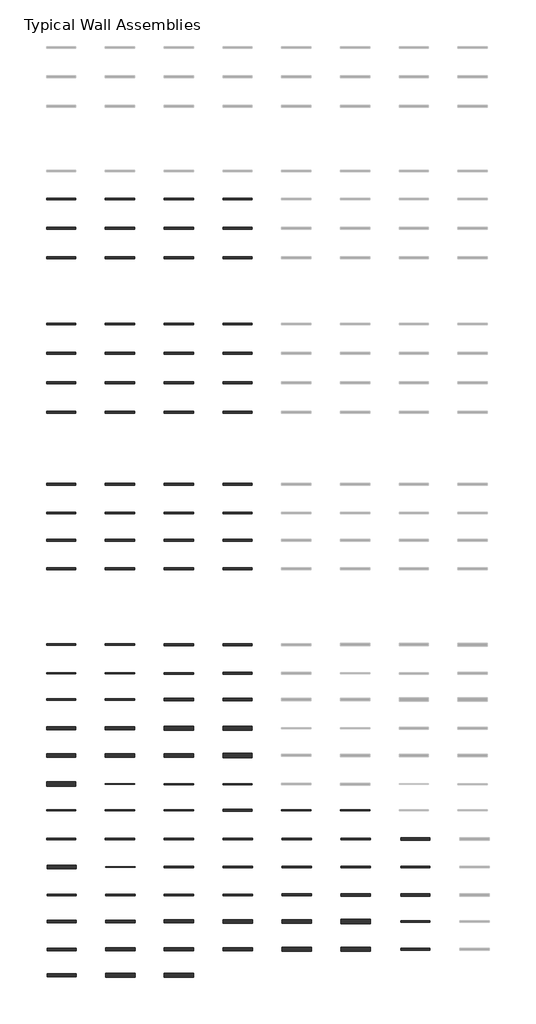
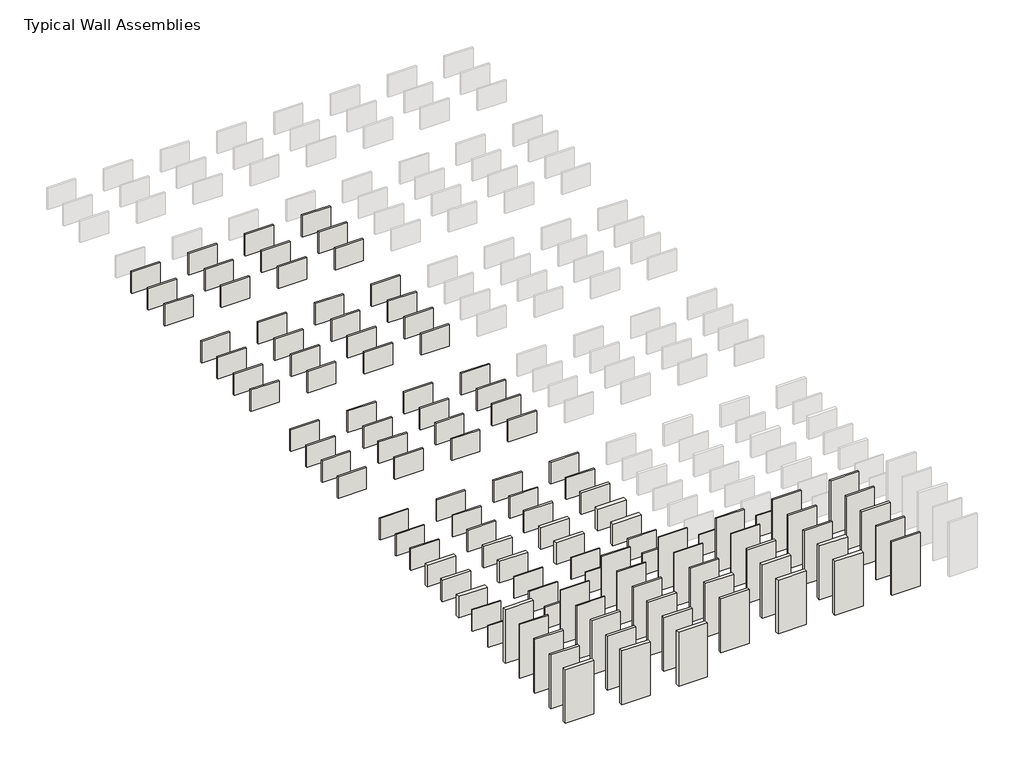
# One storey, part 1 of 3: 112 walls.
"""IFC4 building model written with IfcOpenShell, lengths in millimetres."""

from ifc_helpers import new_model, si_unit, frame, origin, place, context, project, spatial, polyline, outline, extrude, element, save

model = new_model("IFC4")

# Units and contexts
model_context = context("Model", 3, world=origin())
ifc_project = project(units=[si_unit("LENGTHUNIT", "METRE", prefix="MILLI")], contexts=[model_context])

# Site, building, storey
site = spatial("IfcSite", under=ifc_project)
building = spatial("IfcBuilding", under=site)
storey = spatial("IfcBuildingStorey", under=building, Name="Typical Wall Assemblies", Elevation=6096.0)

# Walls
placement = place(None, origin())
element("IfcWall", 1, at=placement, inside=storey, context=model_context, shape_type="SweptSolid", body=[
    extrude(outline(polyline([(-21027.125069, -1623.896752), (-24075.125069, -1623.896752), (-24075.125069, -1441.3342531), (-21027.125069, -1441.3342531), (-21027.125069, -1623.896752)])), frame((0.0, 0.0, 6096.0), z_axis=(0.0, 0.0, 1.0), x_axis=(1.0, 0.0, 0.0)), (0.0, 0.0, 1.0), 2438.4),
])
element("IfcWall", 2, at=placement, inside=storey, context=model_context, shape_type="SweptSolid", body=[
    extrude(outline(polyline([(-21027.125069, -4671.896752), (-24075.125069, -4671.896752), (-24075.125069, -4489.3342531), (-21027.125069, -4489.3342531), (-21027.125069, -4671.896752)])), frame((0.0, 0.0, 6096.0), z_axis=(0.0, 0.0, 1.0), x_axis=(1.0, 0.0, 0.0)), (0.0, 0.0, 1.0), 2438.4),
])
element("IfcWall", 3, at=placement, inside=storey, context=model_context, shape_type="SweptSolid", body=[
    extrude(outline(polyline([(-14931.125069, -1623.896752), (-17979.125069, -1623.896752), (-17979.125069, -1441.3342531), (-14931.125069, -1441.3342531), (-14931.125069, -1623.896752)])), frame((0.0, 0.0, 6096.0), z_axis=(0.0, 0.0, 1.0), x_axis=(1.0, 0.0, 0.0)), (0.0, 0.0, 1.0), 2438.4),
])
element("IfcWall", 4, at=placement, inside=storey, context=model_context, shape_type="SweptSolid", body=[
    extrude(outline(polyline([(-8835.125069, -1623.896752), (-11883.125069, -1623.896752), (-11883.125069, -1441.3342531), (-8835.125069, -1441.3342531), (-8835.125069, -1623.896752)])), frame((0.0, 0.0, 6096.0), z_axis=(0.0, 0.0, 1.0), x_axis=(1.0, 0.0, 0.0)), (0.0, 0.0, 1.0), 2438.4),
])
element("IfcWall", 5, at=placement, inside=storey, context=model_context, shape_type="SweptSolid", body=[
    extrude(outline(polyline([(-2739.125069, -1623.896752), (-5787.125069, -1623.896752), (-5787.125069, -1441.3342531), (-2739.125069, -1441.3342531), (-2739.125069, -1623.896752)])), frame((0.0, 0.0, 6096.0), z_axis=(0.0, 0.0, 1.0), x_axis=(1.0, 0.0, 0.0)), (0.0, 0.0, 1.0), 2438.4),
])
element("IfcWall", 6, at=placement, inside=storey, context=model_context, shape_type="SweptSolid", body=[
    extrude(outline(polyline([(-14931.125069, -4671.896752), (-17979.125069, -4671.896752), (-17979.125069, -4489.3342531), (-14931.125069, -4489.3342531), (-14931.125069, -4671.896752)])), frame((0.0, 0.0, 6096.0), z_axis=(0.0, 0.0, 1.0), x_axis=(1.0, 0.0, 0.0)), (0.0, 0.0, 1.0), 2438.4),
])
element("IfcWall", 7, at=placement, inside=storey, context=model_context, shape_type="SweptSolid", body=[
    extrude(outline(polyline([(-8835.125069, -4671.896752), (-11883.125069, -4671.896752), (-11883.125069, -4489.3342531), (-8835.125069, -4489.3342531), (-8835.125069, -4671.896752)])), frame((0.0, 0.0, 6096.0), z_axis=(0.0, 0.0, 1.0), x_axis=(1.0, 0.0, 0.0)), (0.0, 0.0, 1.0), 2438.4),
])
element("IfcWall", 8, at=placement, inside=storey, context=model_context, shape_type="SweptSolid", body=[
    extrude(outline(polyline([(-2739.125069, -4671.896752), (-5787.125069, -4671.896752), (-5787.125069, -4489.3342531), (-2739.125069, -4489.3342531), (-2739.125069, -4671.896752)])), frame((0.0, 0.0, 6096.0), z_axis=(0.0, 0.0, 1.0), x_axis=(1.0, 0.0, 0.0)), (0.0, 0.0, 1.0), 2438.4),
])
element("IfcWall", 9, at=placement, inside=storey, context=model_context, shape_type="SweptSolid", body=[
    extrude(outline(polyline([(-21027.125069, -7719.896752), (-24075.125069, -7719.896752), (-24075.125069, -7537.3342531), (-21027.125069, -7537.3342531), (-21027.125069, -7719.896752)])), frame((0.0, 0.0, 6096.0), z_axis=(0.0, 0.0, 1.0), x_axis=(1.0, 0.0, 0.0)), (0.0, 0.0, 1.0), 2438.4),
])
element("IfcWall", 10, at=placement, inside=storey, context=model_context, shape_type="SweptSolid", body=[
    extrude(outline(polyline([(-21027.125069, -14579.484252), (-24075.125069, -14579.484252), (-24075.125069, -14393.746753), (-21027.125069, -14393.746753), (-21027.125069, -14579.484252)])), frame((0.0, 0.0, 6096.0), z_axis=(0.0, 0.0, 1.0), x_axis=(1.0, 0.0, 0.0)), (0.0, 0.0, 1.0), 2438.4),
])
element("IfcWall", 11, at=placement, inside=storey, context=model_context, shape_type="SweptSolid", body=[
    extrude(outline(polyline([(-14931.125069, -7719.896752), (-17979.125069, -7719.896752), (-17979.125069, -7537.3342531), (-14931.125069, -7537.3342531), (-14931.125069, -7719.896752)])), frame((0.0, 0.0, 6096.0), z_axis=(0.0, 0.0, 1.0), x_axis=(1.0, 0.0, 0.0)), (0.0, 0.0, 1.0), 2438.4),
])
element("IfcWall", 12, at=placement, inside=storey, context=model_context, shape_type="SweptSolid", body=[
    extrude(outline(polyline([(-8835.125069, -7719.896752), (-11883.125069, -7719.896752), (-11883.125069, -7537.3342531), (-8835.125069, -7537.3342531), (-8835.125069, -7719.896752)])), frame((0.0, 0.0, 6096.0), z_axis=(0.0, 0.0, 1.0), x_axis=(1.0, 0.0, 0.0)), (0.0, 0.0, 1.0), 2438.4),
])
element("IfcWall", 13, at=placement, inside=storey, context=model_context, shape_type="SweptSolid", body=[
    extrude(outline(polyline([(-2739.125069, -7719.896752), (-5787.125069, -7719.896752), (-5787.125069, -7537.3342531), (-2739.125069, -7537.3342531), (-2739.125069, -7719.896752)])), frame((0.0, 0.0, 6096.0), z_axis=(0.0, 0.0, 1.0), x_axis=(1.0, 0.0, 0.0)), (0.0, 0.0, 1.0), 2438.4),
])
element("IfcWall", 14, at=placement, inside=storey, context=model_context, shape_type="SweptSolid", body=[
    extrude(outline(polyline([(-14931.125069, -14579.484252), (-17979.125069, -14579.484252), (-17979.125069, -14393.746753), (-14931.125069, -14393.746753), (-14931.125069, -14579.484252)])), frame((0.0, 0.0, 6096.0), z_axis=(0.0, 0.0, 1.0), x_axis=(1.0, 0.0, 0.0)), (0.0, 0.0, 1.0), 2438.4),
])
element("IfcWall", 15, at=placement, inside=storey, context=model_context, shape_type="SweptSolid", body=[
    extrude(outline(polyline([(-8835.125069, -14579.484252), (-11883.125069, -14579.484252), (-11883.125069, -14393.746753), (-8835.125069, -14393.746753), (-8835.125069, -14579.484252)])), frame((0.0, 0.0, 6096.0), z_axis=(0.0, 0.0, 1.0), x_axis=(1.0, 0.0, 0.0)), (0.0, 0.0, 1.0), 2438.4),
])
element("IfcWall", 16, at=placement, inside=storey, context=model_context, shape_type="SweptSolid", body=[
    extrude(outline(polyline([(-2739.125069, -14579.484252), (-5787.125069, -14579.484252), (-5787.125069, -14393.746753), (-2739.125069, -14393.746753), (-2739.125069, -14579.484252)])), frame((0.0, 0.0, 6096.0), z_axis=(0.0, 0.0, 1.0), x_axis=(1.0, 0.0, 0.0)), (0.0, 0.0, 1.0), 2438.4),
])
element("IfcWall", 17, at=placement, inside=storey, context=model_context, shape_type="SweptSolid", body=[
    extrude(outline(polyline([(-21027.125069, -17627.484252), (-24075.125069, -17627.484252), (-24075.125069, -17441.746753), (-21027.125069, -17441.746753), (-21027.125069, -17627.484252)])), frame((0.0, 0.0, 6096.0), z_axis=(0.0, 0.0, 1.0), x_axis=(1.0, 0.0, 0.0)), (0.0, 0.0, 1.0), 2438.4),
])
element("IfcWall", 18, at=placement, inside=storey, context=model_context, shape_type="SweptSolid", body=[
    extrude(outline(polyline([(-21027.125069, -20675.484252), (-24075.125069, -20675.484252), (-24075.125069, -20489.746753), (-21027.125069, -20489.746753), (-21027.125069, -20675.484252)])), frame((0.0, 0.0, 6096.0), z_axis=(0.0, 0.0, 1.0), x_axis=(1.0, 0.0, 0.0)), (0.0, 0.0, 1.0), 2438.4),
])
element("IfcWall", 19, at=placement, inside=storey, context=model_context, shape_type="SweptSolid", body=[
    extrude(outline(polyline([(-14931.125069, -17627.484252), (-17979.125069, -17627.484252), (-17979.125069, -17441.746753), (-14931.125069, -17441.746753), (-14931.125069, -17627.484252)])), frame((0.0, 0.0, 6096.0), z_axis=(0.0, 0.0, 1.0), x_axis=(1.0, 0.0, 0.0)), (0.0, 0.0, 1.0), 2438.4),
])
element("IfcWall", 20, at=placement, inside=storey, context=model_context, shape_type="SweptSolid", body=[
    extrude(outline(polyline([(-8835.125069, -17627.484252), (-11883.125069, -17627.484252), (-11883.125069, -17441.746753), (-8835.125069, -17441.746753), (-8835.125069, -17627.484252)])), frame((0.0, 0.0, 6096.0), z_axis=(0.0, 0.0, 1.0), x_axis=(1.0, 0.0, 0.0)), (0.0, 0.0, 1.0), 2438.4),
])
element("IfcWall", 21, at=placement, inside=storey, context=model_context, shape_type="SweptSolid", body=[
    extrude(outline(polyline([(-2739.125069, -17627.484252), (-5787.125069, -17627.484252), (-5787.125069, -17441.746753), (-2739.125069, -17441.746753), (-2739.125069, -17627.484252)])), frame((0.0, 0.0, 6096.0), z_axis=(0.0, 0.0, 1.0), x_axis=(1.0, 0.0, 0.0)), (0.0, 0.0, 1.0), 2438.4),
])
element("IfcWall", 22, at=placement, inside=storey, context=model_context, shape_type="SweptSolid", body=[
    extrude(outline(polyline([(-14931.125069, -20675.484252), (-17979.125069, -20675.484252), (-17979.125069, -20489.746753), (-14931.125069, -20489.746753), (-14931.125069, -20675.484252)])), frame((0.0, 0.0, 6096.0), z_axis=(0.0, 0.0, 1.0), x_axis=(1.0, 0.0, 0.0)), (0.0, 0.0, 1.0), 2438.4),
])
element("IfcWall", 23, at=placement, inside=storey, context=model_context, shape_type="SweptSolid", body=[
    extrude(outline(polyline([(-8835.125069, -20675.484252), (-11883.125069, -20675.484252), (-11883.125069, -20489.746753), (-8835.125069, -20489.746753), (-8835.125069, -20675.484252)])), frame((0.0, 0.0, 6096.0), z_axis=(0.0, 0.0, 1.0), x_axis=(1.0, 0.0, 0.0)), (0.0, 0.0, 1.0), 2438.4),
])
element("IfcWall", 24, at=placement, inside=storey, context=model_context, shape_type="SweptSolid", body=[
    extrude(outline(polyline([(-2739.125069, -20675.484252), (-5787.125069, -20675.484252), (-5787.125069, -20489.746753), (-2739.125069, -20489.746753), (-2739.125069, -20675.484252)])), frame((0.0, 0.0, 6096.0), z_axis=(0.0, 0.0, 1.0), x_axis=(1.0, 0.0, 0.0)), (0.0, 0.0, 1.0), 2438.4),
])
element("IfcWall", 25, at=placement, inside=storey, context=model_context, shape_type="SweptSolid", body=[
    extrude(outline(polyline([(-21027.125069, -23723.484252), (-24075.125069, -23723.484252), (-24075.125069, -23537.746753), (-21027.125069, -23537.746753), (-21027.125069, -23723.484252)])), frame((0.0, 0.0, 6096.0), z_axis=(0.0, 0.0, 1.0), x_axis=(1.0, 0.0, 0.0)), (0.0, 0.0, 1.0), 2438.4),
])
element("IfcWall", 26, at=placement, inside=storey, context=model_context, shape_type="SweptSolid", body=[
    extrude(outline(polyline([(-21027.125069, -31190.290502), (-24075.125069, -31190.290502), (-24075.125069, -31006.140503), (-21027.125069, -31006.140503), (-21027.125069, -31190.290502)])), frame((0.0, 0.0, 6096.0), z_axis=(0.0, 0.0, 1.0), x_axis=(1.0, 0.0, 0.0)), (0.0, 0.0, 1.0), 2438.4),
])
element("IfcWall", 27, at=placement, inside=storey, context=model_context, shape_type="SweptSolid", body=[
    extrude(outline(polyline([(-14931.125069, -23723.484252), (-17979.125069, -23723.484252), (-17979.125069, -23537.746753), (-14931.125069, -23537.746753), (-14931.125069, -23723.484252)])), frame((0.0, 0.0, 6096.0), z_axis=(0.0, 0.0, 1.0), x_axis=(1.0, 0.0, 0.0)), (0.0, 0.0, 1.0), 2438.4),
])
element("IfcWall", 28, at=placement, inside=storey, context=model_context, shape_type="SweptSolid", body=[
    extrude(outline(polyline([(-8835.125069, -23723.484252), (-11883.125069, -23723.484252), (-11883.125069, -23537.746753), (-8835.125069, -23537.746753), (-8835.125069, -23723.484252)])), frame((0.0, 0.0, 6096.0), z_axis=(0.0, 0.0, 1.0), x_axis=(1.0, 0.0, 0.0)), (0.0, 0.0, 1.0), 2438.4),
])
element("IfcWall", 29, at=placement, inside=storey, context=model_context, shape_type="SweptSolid", body=[
    extrude(outline(polyline([(-2739.125069, -23723.484252), (-5787.125069, -23723.484252), (-5787.125069, -23537.746753), (-2739.125069, -23537.746753), (-2739.125069, -23723.484252)])), frame((0.0, 0.0, 6096.0), z_axis=(0.0, 0.0, 1.0), x_axis=(1.0, 0.0, 0.0)), (0.0, 0.0, 1.0), 2438.4),
])
element("IfcWall", 30, at=placement, inside=storey, context=model_context, shape_type="SweptSolid", body=[
    extrude(outline(polyline([(-14931.125069, -31190.290502), (-17979.125069, -31190.290502), (-17979.125069, -31006.140503), (-14931.125069, -31006.140503), (-14931.125069, -31190.290502)])), frame((0.0, 0.0, 6096.0), z_axis=(0.0, 0.0, 1.0), x_axis=(1.0, 0.0, 0.0)), (0.0, 0.0, 1.0), 2438.4),
])
element("IfcWall", 31, at=placement, inside=storey, context=model_context, shape_type="SweptSolid", body=[
    extrude(outline(polyline([(-8835.125069, -31190.290502), (-11883.125069, -31190.290502), (-11883.125069, -31006.140503), (-8835.125069, -31006.140503), (-8835.125069, -31190.290502)])), frame((0.0, 0.0, 6096.0), z_axis=(0.0, 0.0, 1.0), x_axis=(1.0, 0.0, 0.0)), (0.0, 0.0, 1.0), 2438.4),
])
element("IfcWall", 32, at=placement, inside=storey, context=model_context, shape_type="SweptSolid", body=[
    extrude(outline(polyline([(-2739.125069, -31190.290502), (-5787.125069, -31190.290502), (-5787.125069, -31006.140503), (-2739.125069, -31006.140503), (-2739.125069, -31190.290502)])), frame((0.0, 0.0, 6096.0), z_axis=(0.0, 0.0, 1.0), x_axis=(1.0, 0.0, 0.0)), (0.0, 0.0, 1.0), 2438.4),
])
element("IfcWall", 33, at=placement, inside=storey, context=model_context, shape_type="SweptSolid", body=[
    extrude(outline(polyline([(-21027.125069, -34162.090502), (-24075.125069, -34162.090502), (-24075.125069, -33977.940503), (-21027.125069, -33977.940503), (-21027.125069, -34162.090502)])), frame((0.0, 0.0, 6096.0), z_axis=(0.0, 0.0, 1.0), x_axis=(1.0, 0.0, 0.0)), (0.0, 0.0, 1.0), 2438.4),
])
element("IfcWall", 34, at=placement, inside=storey, context=model_context, shape_type="SweptSolid", body=[
    extrude(outline(polyline([(-14931.125069, -34162.090502), (-17979.125069, -34162.090502), (-17979.125069, -33977.940503), (-14931.125069, -33977.940503), (-14931.125069, -34162.090502)])), frame((0.0, 0.0, 6096.0), z_axis=(0.0, 0.0, 1.0), x_axis=(1.0, 0.0, 0.0)), (0.0, 0.0, 1.0), 2438.4),
])
element("IfcWall", 35, at=placement, inside=storey, context=model_context, shape_type="SweptSolid", body=[
    extrude(outline(polyline([(-8835.125069, -34162.090502), (-11883.125069, -34162.090502), (-11883.125069, -33977.940503), (-8835.125069, -33977.940503), (-8835.125069, -34162.090502)])), frame((0.0, 0.0, 6096.0), z_axis=(0.0, 0.0, 1.0), x_axis=(1.0, 0.0, 0.0)), (0.0, 0.0, 1.0), 2438.4),
])
element("IfcWall", 36, at=placement, inside=storey, context=model_context, shape_type="SweptSolid", body=[
    extrude(outline(polyline([(-2739.125069, -34162.090502), (-5787.125069, -34162.090502), (-5787.125069, -33977.940503), (-2739.125069, -33977.940503), (-2739.125069, -34162.090502)])), frame((0.0, 0.0, 6096.0), z_axis=(0.0, 0.0, 1.0), x_axis=(1.0, 0.0, 0.0)), (0.0, 0.0, 1.0), 2438.4),
])
element("IfcWall", 37, at=placement, inside=storey, context=model_context, shape_type="SweptSolid", body=[
    extrude(outline(polyline([(-21027.125069, -36981.490502), (-24075.125069, -36981.490502), (-24075.125069, -36797.340503), (-21027.125069, -36797.340503), (-21027.125069, -36981.490502)])), frame((0.0, 0.0, 6096.0), z_axis=(0.0, 0.0, 1.0), x_axis=(1.0, 0.0, 0.0)), (0.0, 0.0, 1.0), 2438.4),
])
element("IfcWall", 38, at=placement, inside=storey, context=model_context, shape_type="SweptSolid", body=[
    extrude(outline(polyline([(-14931.125069, -36981.490502), (-17979.125069, -36981.490502), (-17979.125069, -36797.340503), (-14931.125069, -36797.340503), (-14931.125069, -36981.490502)])), frame((0.0, 0.0, 6096.0), z_axis=(0.0, 0.0, 1.0), x_axis=(1.0, 0.0, 0.0)), (0.0, 0.0, 1.0), 2438.4),
])
element("IfcWall", 39, at=placement, inside=storey, context=model_context, shape_type="SweptSolid", body=[
    extrude(outline(polyline([(-8835.125069, -36981.490502), (-11883.125069, -36981.490502), (-11883.125069, -36797.340503), (-8835.125069, -36797.340503), (-8835.125069, -36981.490502)])), frame((0.0, 0.0, 6096.0), z_axis=(0.0, 0.0, 1.0), x_axis=(1.0, 0.0, 0.0)), (0.0, 0.0, 1.0), 2438.4),
])
element("IfcWall", 40, at=placement, inside=storey, context=model_context, shape_type="SweptSolid", body=[
    extrude(outline(polyline([(-2739.125069, -36981.490502), (-5787.125069, -36981.490502), (-5787.125069, -36797.340503), (-2739.125069, -36797.340503), (-2739.125069, -36981.490502)])), frame((0.0, 0.0, 6096.0), z_axis=(0.0, 0.0, 1.0), x_axis=(1.0, 0.0, 0.0)), (0.0, 0.0, 1.0), 2438.4),
])
element("IfcWall", 41, at=placement, inside=storey, context=model_context, shape_type="SweptSolid", body=[
    extrude(outline(polyline([(-21027.125069, -39953.290502), (-24075.125069, -39953.290502), (-24075.125069, -39769.140503), (-21027.125069, -39769.140503), (-21027.125069, -39953.290502)])), frame((0.0, 0.0, 6096.0), z_axis=(0.0, 0.0, 1.0), x_axis=(1.0, 0.0, 0.0)), (0.0, 0.0, 1.0), 2438.4),
])
element("IfcWall", 42, at=placement, inside=storey, context=model_context, shape_type="SweptSolid", body=[
    extrude(outline(polyline([(-14931.125069, -39953.290502), (-17979.125069, -39953.290502), (-17979.125069, -39769.140503), (-14931.125069, -39769.140503), (-14931.125069, -39953.290502)])), frame((0.0, 0.0, 6096.0), z_axis=(0.0, 0.0, 1.0), x_axis=(1.0, 0.0, 0.0)), (0.0, 0.0, 1.0), 2438.4),
])
element("IfcWall", 43, at=placement, inside=storey, context=model_context, shape_type="SweptSolid", body=[
    extrude(outline(polyline([(-8835.125069, -39953.290502), (-11883.125069, -39953.290502), (-11883.125069, -39769.140503), (-8835.125069, -39769.140503), (-8835.125069, -39953.290502)])), frame((0.0, 0.0, 6096.0), z_axis=(0.0, 0.0, 1.0), x_axis=(1.0, 0.0, 0.0)), (0.0, 0.0, 1.0), 2438.4),
])
element("IfcWall", 44, at=placement, inside=storey, context=model_context, shape_type="SweptSolid", body=[
    extrude(outline(polyline([(-2739.125069, -39953.290502), (-5787.125069, -39953.290502), (-5787.125069, -39769.140503), (-2739.125069, -39769.140503), (-2739.125069, -39953.290502)])), frame((0.0, 0.0, 6096.0), z_axis=(0.0, 0.0, 1.0), x_axis=(1.0, 0.0, 0.0)), (0.0, 0.0, 1.0), 2438.4),
])
element("IfcWall", 45, at=placement, inside=storey, context=model_context, shape_type="SweptSolid", body=[
    extrude(outline(polyline([(-21027.125069, -47777.3160039), (-24075.125069, -47777.3160039), (-24075.125069, -47642.3150012), (-21027.125069, -47642.3150012), (-21027.125069, -47777.3160039)])), frame((0.0, 0.0, 6096.0), z_axis=(0.0, 0.0, 1.0), x_axis=(1.0, 0.0, 0.0)), (0.0, 0.0, 1.0), 2438.4),
])
element("IfcWall", 46, at=placement, inside=storey, context=model_context, shape_type="SweptSolid", body=[
    extrude(outline(polyline([(-14931.125069, -47782.0785039), (-17979.125069, -47782.0785039), (-17979.125069, -47637.5525012), (-14931.125069, -47637.5525012), (-14931.125069, -47782.0785039)])), frame((0.0, 0.0, 6096.0), z_axis=(0.0, 0.0, 1.0), x_axis=(1.0, 0.0, 0.0)), (0.0, 0.0, 1.0), 2438.4),
])
element("IfcWall", 47, at=placement, inside=storey, context=model_context, shape_type="SweptSolid", body=[
    extrude(outline(polyline([(-8835.125069, -47801.1285039), (-11883.125069, -47801.1285039), (-11883.125069, -47618.5025012), (-8835.125069, -47618.5025012), (-8835.125069, -47801.1285039)])), frame((0.0, 0.0, 6096.0), z_axis=(0.0, 0.0, 1.0), x_axis=(1.0, 0.0, 0.0)), (0.0, 0.0, 1.0), 2438.4),
])
element("IfcWall", 48, at=placement, inside=storey, context=model_context, shape_type="SweptSolid", body=[
    extrude(outline(polyline([(-2739.125069, -47807.4785024), (-5787.125069, -47807.4785024), (-5787.125069, -47612.1525027), (-2739.125069, -47612.1525027), (-2739.125069, -47807.4785024)])), frame((0.0, 0.0, 6096.0), z_axis=(0.0, 0.0, 1.0), x_axis=(1.0, 0.0, 0.0)), (0.0, 0.0, 1.0), 2438.4),
])
element("IfcWall", 49, at=placement, inside=storey, context=model_context, shape_type="SweptSolid", body=[
    extrude(outline(polyline([(-21027.125069, -50747.5285008), (-24075.125069, -50747.5285008), (-24075.125069, -50615.7025042), (-21027.125069, -50615.7025042), (-21027.125069, -50747.5285008)])), frame((0.0, 0.0, 6096.0), z_axis=(0.0, 0.0, 1.0), x_axis=(1.0, 0.0, 0.0)), (0.0, 0.0, 1.0), 2438.4),
])
element("IfcWall", 50, at=placement, inside=storey, context=model_context, shape_type="SweptSolid", body=[
    extrude(outline(polyline([(-14931.125069, -50749.1160039), (-17979.125069, -50749.1160039), (-17979.125069, -50614.1150012), (-14931.125069, -50614.1150012), (-14931.125069, -50749.1160039)])), frame((0.0, 0.0, 6096.0), z_axis=(0.0, 0.0, 1.0), x_axis=(1.0, 0.0, 0.0)), (0.0, 0.0, 1.0), 2438.4),
])
element("IfcWall", 51, at=placement, inside=storey, context=model_context, shape_type="SweptSolid", body=[
    extrude(outline(polyline([(-8835.125069, -50753.8785039), (-11883.125069, -50753.8785039), (-11883.125069, -50609.3525012), (-8835.125069, -50609.3525012), (-8835.125069, -50753.8785039)])), frame((0.0, 0.0, 6096.0), z_axis=(0.0, 0.0, 1.0), x_axis=(1.0, 0.0, 0.0)), (0.0, 0.0, 1.0), 2438.4),
])
element("IfcWall", 52, at=placement, inside=storey, context=model_context, shape_type="SweptSolid", body=[
    extrude(outline(polyline([(-2739.125069, -50772.9285039), (-5787.125069, -50772.9285039), (-5787.125069, -50590.3025012), (-2739.125069, -50590.3025012), (-2739.125069, -50772.9285039)])), frame((0.0, 0.0, 6096.0), z_axis=(0.0, 0.0, 1.0), x_axis=(1.0, 0.0, 0.0)), (0.0, 0.0, 1.0), 2438.4),
])
element("IfcWall", 53, at=placement, inside=storey, context=model_context, shape_type="SweptSolid", body=[
    extrude(outline(polyline([(-21027.125069, -53490.7285039), (-24075.125069, -53490.7285039), (-24075.125069, -53308.1025012), (-21027.125069, -53308.1025012), (-21027.125069, -53490.7285039)])), frame((0.0, 0.0, 6096.0), z_axis=(0.0, 0.0, 1.0), x_axis=(1.0, 0.0, 0.0)), (0.0, 0.0, 1.0), 2438.4),
])
element("IfcWall", 54, at=placement, inside=storey, context=model_context, shape_type="SweptSolid", body=[
    extrude(outline(polyline([(-14931.125069, -53497.0785024), (-17979.125069, -53497.0785024), (-17979.125069, -53301.7525027), (-14931.125069, -53301.7525027), (-14931.125069, -53497.0785024)])), frame((0.0, 0.0, 6096.0), z_axis=(0.0, 0.0, 1.0), x_axis=(1.0, 0.0, 0.0)), (0.0, 0.0, 1.0), 2438.4),
])
element("IfcWall", 55, at=placement, inside=storey, context=model_context, shape_type="SweptSolid", body=[
    extrude(outline(polyline([(-8835.125069, -53512.9535054), (-11883.125069, -53512.9535054), (-11883.125069, -53285.8774997), (-8835.125069, -53285.8774997), (-8835.125069, -53512.9535054)])), frame((0.0, 0.0, 6096.0), z_axis=(0.0, 0.0, 1.0), x_axis=(1.0, 0.0, 0.0)), (0.0, 0.0, 1.0), 2438.4),
])
element("IfcWall", 56, at=placement, inside=storey, context=model_context, shape_type="SweptSolid", body=[
    extrude(outline(polyline([(-2739.125069, -53522.4785054), (-5787.125069, -53522.4785054), (-5787.125069, -53276.3524997), (-2739.125069, -53276.3524997), (-2739.125069, -53522.4785054)])), frame((0.0, 0.0, 6096.0), z_axis=(0.0, 0.0, 1.0), x_axis=(1.0, 0.0, 0.0)), (0.0, 0.0, 1.0), 2438.4),
])
element("IfcWall", 57, at=placement, inside=storey, context=model_context, shape_type="SweptSolid", body=[
    extrude(outline(polyline([(-21027.125069, -56538.7284993), (-24075.125069, -56538.7284993), (-24075.125069, -56203.7025057), (-21027.125069, -56203.7025057), (-21027.125069, -56538.7284993)])), frame((0.0, 0.0, 6096.0), z_axis=(0.0, 0.0, 1.0), x_axis=(1.0, 0.0, 0.0)), (0.0, 0.0, 1.0), 2438.4),
])
element("IfcWall", 58, at=placement, inside=storey, context=model_context, shape_type="SweptSolid", body=[
    extrude(outline(polyline([(-14931.125069, -56545.0785024), (-17979.125069, -56545.0785024), (-17979.125069, -56197.3525027), (-14931.125069, -56197.3525027), (-14931.125069, -56545.0785024)])), frame((0.0, 0.0, 6096.0), z_axis=(0.0, 0.0, 1.0), x_axis=(1.0, 0.0, 0.0)), (0.0, 0.0, 1.0), 2438.4),
])
element("IfcWall", 59, at=placement, inside=storey, context=model_context, shape_type="SweptSolid", body=[
    extrude(outline(polyline([(-8835.125069, -56570.4784963), (-11883.125069, -56570.4784963), (-11883.125069, -56171.9525088), (-8835.125069, -56171.9525088), (-8835.125069, -56570.4784963)])), frame((0.0, 0.0, 6096.0), z_axis=(0.0, 0.0, 1.0), x_axis=(1.0, 0.0, 0.0)), (0.0, 0.0, 1.0), 2438.4),
])
element("IfcWall", 60, at=placement, inside=storey, context=model_context, shape_type="SweptSolid", body=[
    extrude(outline(polyline([(-2739.125069, -56595.8785084), (-5787.125069, -56595.8785084), (-5787.125069, -56146.5524966), (-2739.125069, -56146.5524966), (-2739.125069, -56595.8785084)])), frame((0.0, 0.0, 6096.0), z_axis=(0.0, 0.0, 1.0), x_axis=(1.0, 0.0, 0.0)), (0.0, 0.0, 1.0), 2438.4),
])
element("IfcWall", 61, at=placement, inside=storey, context=model_context, shape_type="SweptSolid", body=[
    extrude(outline(polyline([(-21027.125069, -59358.1284993), (-24075.125069, -59358.1284993), (-24075.125069, -59023.1025057), (-21027.125069, -59023.1025057), (-21027.125069, -59358.1284993)])), frame((0.0, 0.0, 6096.0), z_axis=(0.0, 0.0, 1.0), x_axis=(1.0, 0.0, 0.0)), (0.0, 0.0, 1.0), 2438.4),
])
element("IfcWall", 62, at=placement, inside=storey, context=model_context, shape_type="SweptSolid", body=[
    extrude(outline(polyline([(-14931.125069, -59364.4785024), (-17979.125069, -59364.4785024), (-17979.125069, -59016.7525027), (-14931.125069, -59016.7525027), (-14931.125069, -59364.4785024)])), frame((0.0, 0.0, 6096.0), z_axis=(0.0, 0.0, 1.0), x_axis=(1.0, 0.0, 0.0)), (0.0, 0.0, 1.0), 2438.4),
])
element("IfcWall", 63, at=placement, inside=storey, context=model_context, shape_type="SweptSolid", body=[
    extrude(outline(polyline([(-8835.125069, -59389.8784963), (-11883.125069, -59389.8784963), (-11883.125069, -58991.3525088), (-8835.125069, -58991.3525088), (-8835.125069, -59389.8784963)])), frame((0.0, 0.0, 6096.0), z_axis=(0.0, 0.0, 1.0), x_axis=(1.0, 0.0, 0.0)), (0.0, 0.0, 1.0), 2438.4),
])
element("IfcWall", 64, at=placement, inside=storey, context=model_context, shape_type="SweptSolid", body=[
    extrude(outline(polyline([(-2739.125069, -59415.2785084), (-5787.125069, -59415.2785084), (-5787.125069, -58965.9524966), (-2739.125069, -58965.9524966), (-2739.125069, -59415.2785084)])), frame((0.0, 0.0, 6096.0), z_axis=(0.0, 0.0, 1.0), x_axis=(1.0, 0.0, 0.0)), (0.0, 0.0, 1.0), 2438.4),
])
element("IfcWall", 65, at=placement, inside=storey, context=model_context, shape_type="SweptSolid", body=[
    extrude(outline(polyline([(-21027.125069, -62387.0785084), (-24075.125069, -62387.0785084), (-24075.125069, -61937.7524966), (-21027.125069, -61937.7524966), (-21027.125069, -62387.0785084)])), frame((0.0, 0.0, 6096.0), z_axis=(0.0, 0.0, 1.0), x_axis=(1.0, 0.0, 0.0)), (0.0, 0.0, 1.0), 2438.4),
])
element("IfcWall", 66, at=placement, inside=storey, context=model_context, shape_type="SweptSolid", body=[
    extrude(outline(polyline([(-14931.125069, -62198.9280029), (-17979.125069, -62198.9280029), (-17979.125069, -62125.9030021), (-14931.125069, -62125.9030021), (-14931.125069, -62198.9280029)])), frame((0.0, 0.0, 6096.0), z_axis=(0.0, 0.0, 1.0), x_axis=(1.0, 0.0, 0.0)), (0.0, 0.0, 1.0), 2438.4),
])
element("IfcWall", 67, at=placement, inside=storey, context=model_context, shape_type="SweptSolid", body=[
    extrude(outline(polyline([(-8835.125069, -62210.0405014), (-11883.125069, -62210.0405014), (-11883.125069, -62114.7905037), (-8835.125069, -62114.7905037), (-8835.125069, -62210.0405014)])), frame((0.0, 0.0, 6096.0), z_axis=(0.0, 0.0, 1.0), x_axis=(1.0, 0.0, 0.0)), (0.0, 0.0, 1.0), 2438.4),
])
element("IfcWall", 68, at=placement, inside=storey, context=model_context, shape_type="SweptSolid", body=[
    extrude(outline(polyline([(-2739.125069, -62224.3280037), (-5787.125069, -62224.3280037), (-5787.125069, -62100.5030014), (-2739.125069, -62100.5030014), (-2739.125069, -62224.3280037)])), frame((0.0, 0.0, 6096.0), z_axis=(0.0, 0.0, 1.0), x_axis=(1.0, 0.0, 0.0)), (0.0, 0.0, 1.0), 2438.4),
])
element("IfcWall", 69, at=placement, inside=storey, context=model_context, shape_type="SweptSolid", body=[
    extrude(outline(polyline([(-21027.125069, -64927.8405014), (-24075.125069, -64927.8405014), (-24075.125069, -64832.5905037), (-21027.125069, -64832.5905037), (-21027.125069, -64927.8405014)])), frame((0.0, 0.0, 6096.0), z_axis=(0.0, 0.0, 1.0), x_axis=(1.0, 0.0, 0.0)), (0.0, 0.0, 1.0), 2438.4),
])
element("IfcWall", 70, at=placement, inside=storey, context=model_context, shape_type="SweptSolid", body=[
    extrude(outline(polyline([(-14931.125069, -64942.1280037), (-17979.125069, -64942.1280037), (-17979.125069, -64818.3030014), (-14931.125069, -64818.3030014), (-14931.125069, -64942.1280037)])), frame((0.0, 0.0, 6096.0), z_axis=(0.0, 0.0, 1.0), x_axis=(1.0, 0.0, 0.0)), (0.0, 0.0, 1.0), 2438.4),
])
element("IfcWall", 71, at=placement, inside=storey, context=model_context, shape_type="SweptSolid", body=[
    extrude(outline(polyline([(-8835.125069, -64946.8905037), (-11883.125069, -64946.8905037), (-11883.125069, -64813.5405014), (-8835.125069, -64813.5405014), (-8835.125069, -64946.8905037)])), frame((0.0, 0.0, 6096.0), z_axis=(0.0, 0.0, 1.0), x_axis=(1.0, 0.0, 0.0)), (0.0, 0.0, 1.0), 2438.4),
])
element("IfcWall", 72, at=placement, inside=storey, context=model_context, shape_type="SweptSolid", body=[
    extrude(outline(polyline([(-2739.125069, -64972.2905021), (-5787.125069, -64972.2905021), (-5787.125069, -64788.1405029), (-2739.125069, -64788.1405029), (-2739.125069, -64972.2905021)])), frame((0.0, 0.0, 6096.0), z_axis=(0.0, 0.0, 1.0), x_axis=(1.0, 0.0, 0.0)), (0.0, 0.0, 1.0), 2438.4),
])
element("IfcWall", 73, at=placement, inside=storey, context=model_context, shape_type="SweptSolid", body=[
    extrude(outline(polyline([(3356.874931, -64916.7280029), (308.874931, -64916.7280029), (308.874931, -64843.7030021), (3356.874931, -64843.7030021), (3356.874931, -64916.7280029)])), frame((0.0, 0.0, 6096.0), z_axis=(0.0, 0.0, 1.0), x_axis=(1.0, 0.0, 0.0)), (0.0, 0.0, 1.0), 2438.4),
])
element("IfcWall", 74, at=placement, inside=storey, context=model_context, shape_type="SweptSolid", body=[
    extrude(outline(polyline([(9452.874931, -64927.8405014), (6404.874931, -64927.8405014), (6404.874931, -64832.5905037), (9452.874931, -64832.5905037), (9452.874931, -64927.8405014)])), frame((0.0, 0.0, 6096.0), z_axis=(0.0, 0.0, 1.0), x_axis=(1.0, 0.0, 0.0)), (0.0, 0.0, 1.0), 2438.4),
])
element("IfcWall", 75, at=placement, inside=storey, context=model_context, shape_type="SweptSolid", body=[
    extrude(outline(polyline([(-21027.125069, -67918.6905037), (-24075.125069, -67918.6905037), (-24075.125069, -67785.3405014), (-21027.125069, -67785.3405014), (-21027.125069, -67918.6905037)])), frame((0.0, 0.0, 6096.0), z_axis=(0.0, 0.0, 1.0), x_axis=(1.0, 0.0, 0.0)), (0.0, 0.0, 1.0), 2438.4),
])
element("IfcWall", 76, at=placement, inside=storey, context=model_context, shape_type="SweptSolid", body=[
    extrude(outline(polyline([(-14931.125069, -67944.0905021), (-17979.125069, -67944.0905021), (-17979.125069, -67759.9405029), (-14931.125069, -67759.9405029), (-14931.125069, -67944.0905021)])), frame((0.0, 0.0, 6096.0), z_axis=(0.0, 0.0, 1.0), x_axis=(1.0, 0.0, 0.0)), (0.0, 0.0, 1.0), 2438.4),
])
element("IfcWall", 77, at=placement, inside=storey, context=model_context, shape_type="SweptSolid", body=[
    extrude(outline(polyline([(-8835.125069, -67913.9915036), (-11883.125069, -67913.9915036), (-11883.125069, -67790.0395015), (-8835.125069, -67790.0395015), (-8835.125069, -67913.9915036)])), frame((0.0, 0.0, 6096.0), z_axis=(0.0, 0.0, 1.0), x_axis=(1.0, 0.0, 0.0)), (0.0, 0.0, 1.0), 6096.0),
])
element("IfcWall", 78, at=placement, inside=storey, context=model_context, shape_type="SweptSolid", body=[
    extrude(outline(polyline([(-2713.725069, -67918.7540036), (-5761.725069, -67918.7540036), (-5761.725069, -67785.2770015), (-2713.725069, -67785.2770015), (-2713.725069, -67918.7540036)])), frame((0.0, 0.0, 6096.0), z_axis=(0.0, 0.0, 1.0), x_axis=(1.0, 0.0, 0.0)), (0.0, 0.0, 1.0), 6096.0),
])
element("IfcWall", 79, at=placement, inside=storey, context=model_context, shape_type="SweptSolid", body=[
    extrude(outline(polyline([(3407.674931, -67937.8040036), (359.674931, -67937.8040036), (359.674931, -67766.2270015), (3407.674931, -67766.2270015), (3407.674931, -67937.8040036)])), frame((0.0, 0.0, 6096.0), z_axis=(0.0, 0.0, 1.0), x_axis=(1.0, 0.0, 0.0)), (0.0, 0.0, 1.0), 6096.0),
])
element("IfcWall", 80, at=placement, inside=storey, context=model_context, shape_type="SweptSolid", body=[
    extrude(outline(polyline([(9503.674931, -67944.1540021), (6455.674931, -67944.1540021), (6455.674931, -67759.877003), (9503.674931, -67759.877003), (9503.674931, -67944.1540021)])), frame((0.0, 0.0, 6096.0), z_axis=(0.0, 0.0, 1.0), x_axis=(1.0, 0.0, 0.0)), (0.0, 0.0, 1.0), 6096.0),
])
element("IfcWall", 81, at=placement, inside=storey, context=model_context, shape_type="SweptSolid", body=[
    extrude(outline(polyline([(15701.274931, -67960.0290051), (12653.274931, -67960.0290051), (12653.274931, -67744.0019999), (15701.274931, -67744.0019999), (15701.274931, -67960.0290051)])), frame((0.0, 0.0, 6096.0), z_axis=(0.0, 0.0, 1.0), x_axis=(1.0, 0.0, 0.0)), (0.0, 0.0, 1.0), 6096.0),
])
element("IfcWall", 82, at=placement, inside=storey, context=model_context, shape_type="SweptSolid", body=[
    extrude(outline(polyline([(-8835.125069, -70807.9405006), (-11883.125069, -70807.9405006), (-11883.125069, -70687.2905044), (-8835.125069, -70687.2905044), (-8835.125069, -70807.9405006)])), frame((0.0, 0.0, 6096.0), z_axis=(0.0, 0.0, 1.0), x_axis=(1.0, 0.0, 0.0)), (0.0, 0.0, 1.0), 6096.0),
])
element("IfcWall", 83, at=placement, inside=storey, context=model_context, shape_type="SweptSolid", body=[
    extrude(outline(polyline([(-2713.725069, -70809.5280037), (-5761.725069, -70809.5280037), (-5761.725069, -70685.7030014), (-2713.725069, -70685.7030014), (-2713.725069, -70809.5280037)])), frame((0.0, 0.0, 6096.0), z_axis=(0.0, 0.0, 1.0), x_axis=(1.0, 0.0, 0.0)), (0.0, 0.0, 1.0), 6096.0),
])
element("IfcWall", 84, at=placement, inside=storey, context=model_context, shape_type="SweptSolid", body=[
    extrude(outline(polyline([(3407.674931, -70814.2905037), (359.674931, -70814.2905037), (359.674931, -70680.9405014), (3407.674931, -70680.9405014), (3407.674931, -70814.2905037)])), frame((0.0, 0.0, 6096.0), z_axis=(0.0, 0.0, 1.0), x_axis=(1.0, 0.0, 0.0)), (0.0, 0.0, 1.0), 6096.0),
])
element("IfcWall", 85, at=placement, inside=storey, context=model_context, shape_type="SweptSolid", body=[
    extrude(outline(polyline([(9503.674931, -70833.3405037), (6455.674931, -70833.3405037), (6455.674931, -70661.8905014), (9503.674931, -70661.8905014), (9503.674931, -70833.3405037)])), frame((0.0, 0.0, 6096.0), z_axis=(0.0, 0.0, 1.0), x_axis=(1.0, 0.0, 0.0)), (0.0, 0.0, 1.0), 6096.0),
])
element("IfcWall", 86, at=placement, inside=storey, context=model_context, shape_type="SweptSolid", body=[
    extrude(outline(polyline([(15701.274931, -70839.6905021), (12653.274931, -70839.6905021), (12653.274931, -70655.5405029), (15701.274931, -70655.5405029), (15701.274931, -70839.6905021)])), frame((0.0, 0.0, 6096.0), z_axis=(0.0, 0.0, 1.0), x_axis=(1.0, 0.0, 0.0)), (0.0, 0.0, 1.0), 6096.0),
])
element("IfcWall", 87, at=placement, inside=storey, context=model_context, shape_type="SweptSolid", body=[
    extrude(outline(polyline([(-20976.325069, -70941.353996), (-24024.325069, -70941.353996), (-24024.325069, -70553.877009), (-20976.325069, -70553.877009), (-20976.325069, -70941.353996)])), frame((0.0, 0.0, 6096.0), z_axis=(0.0, 0.0, 1.0), x_axis=(1.0, 0.0, 0.0)), (0.0, 0.0, 1.0), 6096.0),
])
element("IfcWall", 88, at=placement, inside=storey, context=model_context, shape_type="SweptSolid", body=[
    extrude(outline(polyline([(-14905.725069, -70795.2405014), (-17953.725069, -70795.2405014), (-17953.725069, -70699.9905037), (-14905.725069, -70699.9905037), (-14905.725069, -70795.2405014)])), frame((0.0, 0.0, 6096.0), z_axis=(0.0, 0.0, 1.0), x_axis=(1.0, 0.0, 0.0)), (0.0, 0.0, 1.0), 6096.0),
])
element("IfcWall", 89, at=placement, inside=storey, context=model_context, shape_type="SweptSolid", body=[
    extrude(outline(polyline([(-8835.125069, -73728.9405037), (-11883.125069, -73728.9405037), (-11883.125069, -73557.4905014), (-8835.125069, -73557.4905014), (-8835.125069, -73728.9405037)])), frame((0.0, 0.0, 6096.0), z_axis=(0.0, 0.0, 1.0), x_axis=(1.0, 0.0, 0.0)), (0.0, 0.0, 1.0), 6096.0),
])
element("IfcWall", 90, at=placement, inside=storey, context=model_context, shape_type="SweptSolid", body=[
    extrude(outline(polyline([(-2713.725069, -73735.2905021), (-5761.725069, -73735.2905021), (-5761.725069, -73551.1405029), (-2713.725069, -73551.1405029), (-2713.725069, -73735.2905021)])), frame((0.0, 0.0, 6096.0), z_axis=(0.0, 0.0, 1.0), x_axis=(1.0, 0.0, 0.0)), (0.0, 0.0, 1.0), 6096.0),
])
element("IfcWall", 91, at=placement, inside=storey, context=model_context, shape_type="SweptSolid", body=[
    extrude(outline(polyline([(3407.674931, -73751.1655052), (359.674931, -73751.1655052), (359.674931, -73535.2654999), (3407.674931, -73535.2654999), (3407.674931, -73751.1655052)])), frame((0.0, 0.0, 6096.0), z_axis=(0.0, 0.0, 1.0), x_axis=(1.0, 0.0, 0.0)), (0.0, 0.0, 1.0), 6096.0),
])
element("IfcWall", 92, at=placement, inside=storey, context=model_context, shape_type="SweptSolid", body=[
    extrude(outline(polyline([(9503.674931, -73760.6905052), (6455.674931, -73760.6905052), (6455.674931, -73525.7404999), (9503.674931, -73525.7404999), (9503.674931, -73760.6905052)])), frame((0.0, 0.0, 6096.0), z_axis=(0.0, 0.0, 1.0), x_axis=(1.0, 0.0, 0.0)), (0.0, 0.0, 1.0), 6096.0),
])
element("IfcWall", 93, at=placement, inside=storey, context=model_context, shape_type="SweptSolid", body=[
    extrude(outline(polyline([(15701.274931, -73776.6289991), (12653.274931, -73776.6289991), (12653.274931, -73509.802006), (15701.274931, -73509.802006), (15701.274931, -73776.6289991)])), frame((0.0, 0.0, 6096.0), z_axis=(0.0, 0.0, 1.0), x_axis=(1.0, 0.0, 0.0)), (0.0, 0.0, 1.0), 6096.0),
])
element("IfcWall", 94, at=placement, inside=storey, context=model_context, shape_type="SweptSolid", body=[
    extrude(outline(polyline([(-20976.325069, -73705.1280037), (-24024.325069, -73705.1280037), (-24024.325069, -73581.3030014), (-20976.325069, -73581.3030014), (-20976.325069, -73705.1280037)])), frame((0.0, 0.0, 6096.0), z_axis=(0.0, 0.0, 1.0), x_axis=(1.0, 0.0, 0.0)), (0.0, 0.0, 1.0), 6096.0),
])
element("IfcWall", 95, at=placement, inside=storey, context=model_context, shape_type="SweptSolid", body=[
    extrude(outline(polyline([(-14905.725069, -73709.8905037), (-17953.725069, -73709.8905037), (-17953.725069, -73576.5405014), (-14905.725069, -73576.5405014), (-14905.725069, -73709.8905037)])), frame((0.0, 0.0, 6096.0), z_axis=(0.0, 0.0, 1.0), x_axis=(1.0, 0.0, 0.0)), (0.0, 0.0, 1.0), 6096.0),
])
element("IfcWall", 96, at=placement, inside=storey, context=model_context, shape_type="SweptSolid", body=[
    extrude(outline(polyline([(-8835.125069, -76548.4039991), (-11883.125069, -76548.4039991), (-11883.125069, -76224.427006), (-8835.125069, -76224.427006), (-8835.125069, -76548.4039991)])), frame((0.0, 0.0, 6096.0), z_axis=(0.0, 0.0, 1.0), x_axis=(1.0, 0.0, 0.0)), (0.0, 0.0, 1.0), 6096.0),
])
element("IfcWall", 97, at=placement, inside=storey, context=model_context, shape_type="SweptSolid", body=[
    extrude(outline(polyline([(-2713.725069, -76554.7540021), (-5761.725069, -76554.7540021), (-5761.725069, -76218.077003), (-2713.725069, -76218.077003), (-2713.725069, -76554.7540021)])), frame((0.0, 0.0, 6096.0), z_axis=(0.0, 0.0, 1.0), x_axis=(1.0, 0.0, 0.0)), (0.0, 0.0, 1.0), 6096.0),
])
element("IfcWall", 98, at=placement, inside=storey, context=model_context, shape_type="SweptSolid", body=[
    extrude(outline(polyline([(3407.674931, -76580.153996), (359.674931, -76580.153996), (359.674931, -76192.677009), (3407.674931, -76192.677009), (3407.674931, -76580.153996)])), frame((0.0, 0.0, 6096.0), z_axis=(0.0, 0.0, 1.0), x_axis=(1.0, 0.0, 0.0)), (0.0, 0.0, 1.0), 6096.0),
])
element("IfcWall", 99, at=placement, inside=storey, context=model_context, shape_type="SweptSolid", body=[
    extrude(outline(polyline([(9503.674931, -76605.5540081), (6455.674931, -76605.5540081), (6455.674931, -76167.2769969), (9503.674931, -76167.2769969), (9503.674931, -76605.5540081)])), frame((0.0, 0.0, 6096.0), z_axis=(0.0, 0.0, 1.0), x_axis=(1.0, 0.0, 0.0)), (0.0, 0.0, 1.0), 6096.0),
])
element("IfcWall", 100, at=placement, inside=storey, context=model_context, shape_type="SweptSolid", body=[
    extrude(outline(polyline([(15701.274931, -76448.3915036), (12653.274931, -76448.3915036), (12653.274931, -76324.4395015), (15701.274931, -76324.4395015), (15701.274931, -76448.3915036)])), frame((0.0, 0.0, 6096.0), z_axis=(0.0, 0.0, 1.0), x_axis=(1.0, 0.0, 0.0)), (0.0, 0.0, 1.0), 6096.0),
])
element("IfcWall", 101, at=placement, inside=storey, context=model_context, shape_type="SweptSolid", body=[
    extrude(outline(polyline([(-20976.325069, -76503.9540051), (-24024.325069, -76503.9540051), (-24024.325069, -76268.8769999), (-20976.325069, -76268.8769999), (-20976.325069, -76503.9540051)])), frame((0.0, 0.0, 6096.0), z_axis=(0.0, 0.0, 1.0), x_axis=(1.0, 0.0, 0.0)), (0.0, 0.0, 1.0), 6096.0),
])
element("IfcWall", 102, at=placement, inside=storey, context=model_context, shape_type="SweptSolid", body=[
    extrude(outline(polyline([(-14905.725069, -76529.3539991), (-17953.725069, -76529.3539991), (-17953.725069, -76243.477006), (-14905.725069, -76243.477006), (-14905.725069, -76529.3539991)])), frame((0.0, 0.0, 6096.0), z_axis=(0.0, 0.0, 1.0), x_axis=(1.0, 0.0, 0.0)), (0.0, 0.0, 1.0), 6096.0),
])
element("IfcWall", 103, at=placement, inside=storey, context=model_context, shape_type="SweptSolid", body=[
    extrude(outline(polyline([(-8835.125069, -79444.0039991), (-11883.125069, -79444.0039991), (-11883.125069, -79120.027006), (-8835.125069, -79120.027006), (-8835.125069, -79444.0039991)])), frame((0.0, 0.0, 6096.0), z_axis=(0.0, 0.0, 1.0), x_axis=(1.0, 0.0, 0.0)), (0.0, 0.0, 1.0), 6096.0),
])
element("IfcWall", 104, at=placement, inside=storey, context=model_context, shape_type="SweptSolid", body=[
    extrude(outline(polyline([(-2713.725069, -79450.3540021), (-5761.725069, -79450.3540021), (-5761.725069, -79113.677003), (-2713.725069, -79113.677003), (-2713.725069, -79450.3540021)])), frame((0.0, 0.0, 6096.0), z_axis=(0.0, 0.0, 1.0), x_axis=(1.0, 0.0, 0.0)), (0.0, 0.0, 1.0), 6096.0),
])
element("IfcWall", 105, at=placement, inside=storey, context=model_context, shape_type="SweptSolid", body=[
    extrude(outline(polyline([(3407.674931, -79475.753996), (359.674931, -79475.753996), (359.674931, -79088.277009), (3407.674931, -79088.277009), (3407.674931, -79475.753996)])), frame((0.0, 0.0, 6096.0), z_axis=(0.0, 0.0, 1.0), x_axis=(1.0, 0.0, 0.0)), (0.0, 0.0, 1.0), 6096.0),
])
element("IfcWall", 106, at=placement, inside=storey, context=model_context, shape_type="SweptSolid", body=[
    extrude(outline(polyline([(9503.674931, -79501.1540081), (6455.674931, -79501.1540081), (6455.674931, -79062.8769969), (9503.674931, -79062.8769969), (9503.674931, -79501.1540081)])), frame((0.0, 0.0, 6096.0), z_axis=(0.0, 0.0, 1.0), x_axis=(1.0, 0.0, 0.0)), (0.0, 0.0, 1.0), 6096.0),
])
element("IfcWall", 107, at=placement, inside=storey, context=model_context, shape_type="SweptSolid", body=[
    extrude(outline(polyline([(15701.274931, -79374.1540021), (12653.274931, -79374.1540021), (12653.274931, -79189.877003), (15701.274931, -79189.877003), (15701.274931, -79374.1540021)])), frame((0.0, 0.0, 6096.0), z_axis=(0.0, 0.0, 1.0), x_axis=(1.0, 0.0, 0.0)), (0.0, 0.0, 1.0), 6096.0),
])
element("IfcWall", 108, at=placement, inside=storey, context=model_context, shape_type="SweptSolid", body=[
    extrude(outline(polyline([(-20976.325069, -79415.4289991), (-24024.325069, -79415.4289991), (-24024.325069, -79148.602006), (-20976.325069, -79148.602006), (-20976.325069, -79415.4289991)])), frame((0.0, 0.0, 6096.0), z_axis=(0.0, 0.0, 1.0), x_axis=(1.0, 0.0, 0.0)), (0.0, 0.0, 1.0), 6096.0),
])
element("IfcWall", 109, at=placement, inside=storey, context=model_context, shape_type="SweptSolid", body=[
    extrude(outline(polyline([(-14905.725069, -79424.9539991), (-17953.725069, -79424.9539991), (-17953.725069, -79139.077006), (-14905.725069, -79139.077006), (-14905.725069, -79424.9539991)])), frame((0.0, 0.0, 6096.0), z_axis=(0.0, 0.0, 1.0), x_axis=(1.0, 0.0, 0.0)), (0.0, 0.0, 1.0), 6096.0),
])
element("IfcWall", 110, at=placement, inside=storey, context=model_context, shape_type="SweptSolid", body=[
    extrude(outline(polyline([(-8835.125069, -82193.5540081), (-11883.125069, -82193.5540081), (-11883.125069, -81755.2769969), (-8835.125069, -81755.2769969), (-8835.125069, -82193.5540081)])), frame((0.0, 0.0, 6096.0), z_axis=(0.0, 0.0, 1.0), x_axis=(1.0, 0.0, 0.0)), (0.0, 0.0, 1.0), 6096.0),
])
element("IfcWall", 111, at=placement, inside=storey, context=model_context, shape_type="SweptSolid", body=[
    extrude(outline(polyline([(-20976.325069, -82142.7540021), (-24024.325069, -82142.7540021), (-24024.325069, -81806.077003), (-20976.325069, -81806.077003), (-20976.325069, -82142.7540021)])), frame((0.0, 0.0, 6096.0), z_axis=(0.0, 0.0, 1.0), x_axis=(1.0, 0.0, 0.0)), (0.0, 0.0, 1.0), 6096.0),
])
element("IfcWall", 112, at=placement, inside=storey, context=model_context, shape_type="SweptSolid", body=[
    extrude(outline(polyline([(-14905.725069, -82168.153996), (-17953.725069, -82168.153996), (-17953.725069, -81780.677009), (-14905.725069, -81780.677009), (-14905.725069, -82168.153996)])), frame((0.0, 0.0, 6096.0), z_axis=(0.0, 0.0, 1.0), x_axis=(1.0, 0.0, 0.0)), (0.0, 0.0, 1.0), 6096.0),
])

save(model, "model.ifc")
